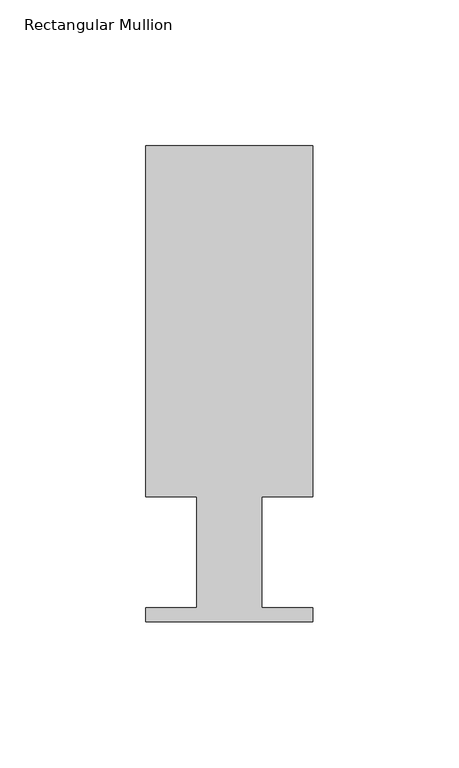
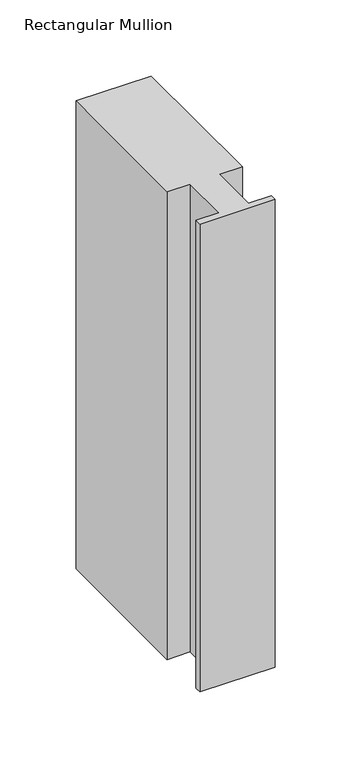
"""IFC4 building model written with IfcOpenShell, lengths in millimetres: member geometry, Rectangular Mullion."""

from ifc_helpers import new_model, si_unit, frame, origin, place, context, project, spatial, polyline, outline, extrude, source, transform, mapped, element, save


def rectangular_mullion_ab15002d(model_context):
    return source(origin(), model_context, "Body", "SweptSolid", [
        extrude(outline(polyline([(0.0, 151.892), (0.0, 31.75), (-17.4752, 31.75), (-17.4752, -6.35), (0.0, -6.35), (0.0, -11.176), (-57.15, -11.176), (-57.15, -6.35), (-39.6875, -6.35), (-39.6875, 31.75), (-57.15, 31.75), (-57.15, 151.892), (0.0, 151.892)])), frame((0.0, 0.0, -375.6143303), z_axis=(0.0, 0.0, 1.0), x_axis=(1.0, 0.0, 0.0)), (0.0, 0.0, 1.0), 375.6143303),
    ])


if __name__ == "__main__":
    model = new_model("IFC4")
    model_context = context("Model", 3, world=origin())
    ifc_project = project(units=[si_unit("LENGTHUNIT", "METRE", prefix="MILLI")], contexts=[model_context])
    site = spatial("IfcSite", under=ifc_project)
    building = spatial("IfcBuilding", under=site)
    placement = place(None, origin())
    rectangular_mullion_shape = rectangular_mullion_ab15002d(model_context)
    element("IfcMember", 1, ObjectType="Rectangular Mullion", at=placement, inside=building, context=model_context, shape_type="MappedRepresentation", body=[
        mapped(rectangular_mullion_shape, transform((0.0, 0.0, 0.0), x_axis=(1.0, 0.0, 0.0), y_axis=(0.0, 1.0, 0.0), z_axis=(0.0, 0.0, 1.0))),
    ])
    save(model, "model.ifc")
